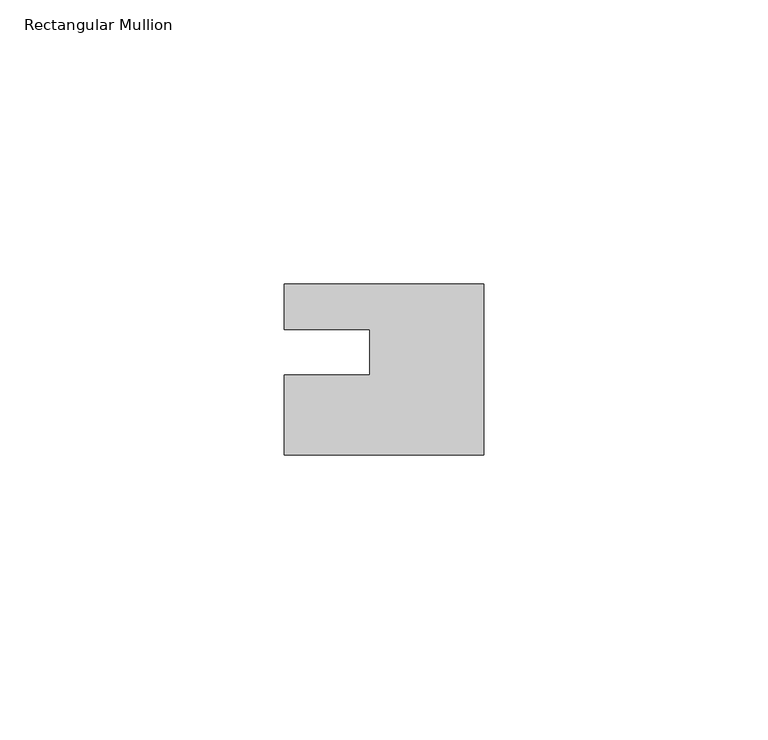
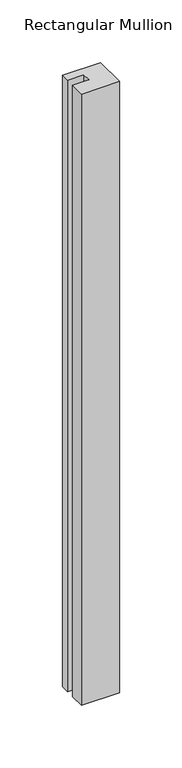
"""IFC4 building model written with IfcOpenShell, lengths in millimetres: member geometry, Rectangular Mullion."""

import ifcopenshell
import ifcopenshell.guid

model = None  # the IFC model being written
_history = None  # IfcOwnerHistory: only IFC2X3 demands one
_inside = {}  # id of a spatial element -> (the spatial element, [elements in it])
_under = {}  # id of a project, library or spatial element -> (it, [spatial elements below it])
_declared = {}  # id of a project -> (the project, [libraries it declares])
_typed = {}  # id of a type object -> (the type object, [elements of that type])
_made_of = {}  # id of a material, layer set ... -> (it, [elements and type objects made of it])


def new_model(schema):
    """Start an empty IFC model of exactly this schema.

    Asked for "IFC4X3", IfcOpenShell would pick the latest addendum, in which some entities
    have other attributes; the version numbers below select the first issue.
    IFC2X3 requires an IfcOwnerHistory on every rooted entity: one is made here for all.
    """
    global model, _history
    if schema == "IFC4X3":
        model = ifcopenshell.file(schema_version=(4, 3, 0, 0))
    else:
        model = ifcopenshell.file(schema=schema)
    _inside.clear()
    _under.clear()
    _declared.clear()
    _typed.clear()
    _made_of.clear()
    _history = None
    if model.schema == "IFC2X3":
        org = make("IfcOrganization", Name="unknown")
        user = make(
            "IfcPersonAndOrganization",
            ThePerson=make("IfcPerson", FamilyName="unknown"),
            TheOrganization=org,
        )
        app = make(
            "IfcApplication",
            ApplicationDeveloper=org,
            Version="unknown",
            ApplicationFullName="unknown",
            ApplicationIdentifier="unknown",
        )
        _history = make(
            "IfcOwnerHistory",
            OwningUser=user,
            OwningApplication=app,
            ChangeAction="ADDED",
            CreationDate=0,
        )
    return model


def make(cls, **values):
    """One entity of the class cls with the attributes given. An attribute that is None is left unset."""
    return model.create_entity(
        cls, **{name: value for name, value in values.items() if value is not None}
    )


def rooted(cls, **values):
    """An entity with a GlobalId (a new one), such as an element, a storey or a relation."""
    return make(cls, GlobalId=ifcopenshell.guid.new(), OwnerHistory=_history, **values)


def si_unit(unit_type, name, prefix=None):
    """IfcSIUnit, for example si_unit("LENGTHUNIT", "METRE", prefix="MILLI")."""
    return make("IfcSIUnit", UnitType=unit_type, Prefix=prefix, Name=name)


def assignment(units):
    """IfcUnitAssignment: the units of a project."""
    return None if units is None else make("IfcUnitAssignment", Units=units)


def point(xyz):
    """IfcCartesianPoint."""
    return None if xyz is None else make("IfcCartesianPoint", Coordinates=xyz)


def direction(xyz):
    """IfcDirection."""
    return None if xyz is None else make("IfcDirection", DirectionRatios=xyz)


def frame(location, z_axis=None, x_axis=None):
    """IfcAxis2Placement3D, a coordinate frame: its origin and axes. An axis left out is left unset."""
    return make(
        "IfcAxis2Placement3D",
        Location=point(location),
        Axis=direction(z_axis),
        RefDirection=direction(x_axis),
    )


def origin():
    """The frame at (0, 0, 0) with its axes left unset."""
    return frame((0.0, 0.0, 0.0))


def place(relative_to, where):
    """IfcLocalPlacement: puts the frame where relative to a parent placement (None: the world)."""
    return make(
        "IfcLocalPlacement", PlacementRelTo=relative_to, RelativePlacement=where
    )


def context(
    kind, dimensions, precision=None, world=None, true_north=None, identifier=None
):
    """IfcGeometricRepresentationContext, for example the 3D "Model" context."""
    return make(
        "IfcGeometricRepresentationContext",
        ContextIdentifier=identifier,
        ContextType=kind,
        CoordinateSpaceDimension=dimensions,
        Precision=precision,
        WorldCoordinateSystem=world,
        TrueNorth=true_north,
    )


def project(units=None, contexts=None):
    """IfcProject with its units and contexts."""
    return rooted(
        "IfcProject",
        Name="project",
        RepresentationContexts=contexts,
        UnitsInContext=assignment(units),
    )


def spatial(cls, under=None, at=None, **own):
    """A site, building, storey or space (cls), placed at a placement, below another one or the project."""
    s = rooted(cls, ObjectPlacement=at, **own)
    if under is not None:
        _under.setdefault(under.id(), (under, []))[1].append(s)
    return s


def polyline(points):
    """IfcPolyline through the points."""
    return make("IfcPolyline", Points=[point(p) for p in points])


def outline(outer, holes=None, kind="AREA"):
    """IfcArbitraryClosedProfileDef: a profile drawn as a closed curve; with holes, ...WithVoids."""
    if holes is None:
        return make("IfcArbitraryClosedProfileDef", ProfileType=kind, OuterCurve=outer)
    return make(
        "IfcArbitraryProfileDefWithVoids",
        ProfileType=kind,
        OuterCurve=outer,
        InnerCurves=holes,
    )


def extrude(swept, where, along, depth):
    """IfcExtrudedAreaSolid: the profile swept, set in the frame where, extruded along a direction by depth."""
    return make(
        "IfcExtrudedAreaSolid",
        SweptArea=swept,
        Position=where,
        ExtrudedDirection=direction(along),
        Depth=depth,
    )


def shape(context_of_items, identifier, shape_type, items):
    """IfcShapeRepresentation: the items that make up one representation, for example the "Body"."""
    return make(
        "IfcShapeRepresentation",
        ContextOfItems=context_of_items,
        RepresentationIdentifier=identifier,
        RepresentationType=shape_type,
        Items=items,
    )


def source(mapping_origin, context_of_items, identifier, shape_type, items):
    """IfcRepresentationMap: a shape defined once, which mapped items show again and again."""
    return make(
        "IfcRepresentationMap",
        MappingOrigin=mapping_origin,
        MappedRepresentation=shape(context_of_items, identifier, shape_type, items),
    )


def transform(
    local_origin,
    x_axis=None,
    y_axis=None,
    z_axis=None,
    scale=None,
    scale2=None,
    scale3=None,
    uniform=True,
):
    """IfcCartesianTransformationOperator3D, or its non-uniform kind. x_axis, y_axis, z_axis: its Axis1, 2, 3."""
    if uniform:
        return make(
            "IfcCartesianTransformationOperator3D",
            Axis1=direction(x_axis),
            Axis2=direction(y_axis),
            LocalOrigin=point(local_origin),
            Scale=scale,
            Axis3=direction(z_axis),
        )
    return make(
        "IfcCartesianTransformationOperator3DnonUniform",
        Axis1=direction(x_axis),
        Axis2=direction(y_axis),
        LocalOrigin=point(local_origin),
        Scale=scale,
        Axis3=direction(z_axis),
        Scale2=scale2,
        Scale3=scale3,
    )


def mapped(mapping_source, mapping_target):
    """IfcMappedItem: shows the shape of a source again, moved by a transform."""
    return make(
        "IfcMappedItem", MappingSource=mapping_source, MappingTarget=mapping_target
    )


def made_of(thing, what):
    """Note that an element or type object is made of a material, layer set ...; save() writes the relation."""
    if what is not None:
        _made_of.setdefault(what.id(), (what, []))[1].append(thing)
    return thing


def element(
    cls,
    number,
    at=None,
    inside=None,
    cuts=None,
    type_object=None,
    material=None,
    context=None,
    identifier="Body",
    shape_type=None,
    held_by="IfcProductDefinitionShape",
    body=None,
    shapes=None,
    **own,
):
    """One element of the class cls, such as IfcWall. Its Tag is "e" and its number.

    at: its placement. inside: the storey or other place that contains it. cuts: it is an
    opening in that element (IfcRelVoidsElement). A single representation is given by context,
    identifier, shape_type and body (its items); several are given by shapes. held_by: the class
    of the entity that holds the representations. save() writes the other relations.
    """
    e = rooted(cls, Tag="e%d" % number, ObjectPlacement=at, **own)
    if body is not None:
        shapes = [shape(context, identifier, shape_type, body)]
    if shapes is not None:
        e.Representation = make(held_by, Representations=shapes)
    if inside is not None:
        _inside.setdefault(inside.id(), (inside, []))[1].append(e)
    if cuts is not None:
        rooted(
            "IfcRelVoidsElement", RelatingBuildingElement=cuts, RelatedOpeningElement=e
        )
    if type_object is not None:
        _typed.setdefault(type_object.id(), (type_object, []))[1].append(e)
    return made_of(e, material)


def aggregate(whole, parts):
    """IfcRelAggregates: a whole, such as a stair, and the parts it consists of."""
    return rooted("IfcRelAggregates", RelatingObject=whole, RelatedObjects=parts)


def save(model, path):
    """Write the relations noted so far, then the file.

    IfcRelAggregates (storeys below a building ...), IfcRelContainedInSpatialStructure (elements
    in a storey), IfcRelDefinesByType, IfcRelAssociatesMaterial and IfcRelDeclares: one each for
    every whole, place, type object, material and project.
    """
    for whole, parts in _under.values():
        aggregate(whole, parts)
    for where, things in _inside.values():
        rooted(
            "IfcRelContainedInSpatialStructure",
            RelatedElements=things,
            RelatingStructure=where,
        )
    for kind, things in _typed.values():
        rooted("IfcRelDefinesByType", RelatedObjects=things, RelatingType=kind)
    for what, things in _made_of.values():
        rooted("IfcRelAssociatesMaterial", RelatedObjects=things, RelatingMaterial=what)
    for by, libraries in _declared.values():
        rooted("IfcRelDeclares", RelatingContext=by, RelatedDefinitions=libraries)
    model.write(path)


def rectangular_mullion_8ebf7552(model_context):
    return source(origin(), model_context, "Body", "SweptSolid", [
        extrude(outline(polyline([(0.0, 7.94), (0.0, -22.06), (-35.0, -22.06), (-35.0, -8.0), (-20.0, -8.0), (-20.0, 0.001), (-35.0, 0.001), (-35.0, 7.94), (0.0, 7.94)])), frame((0.0, 0.0, -594.8963605), z_axis=(0.0, 0.0, 1.0), x_axis=(1.0, 0.0, 0.0)), (0.0, 0.0, 1.0), 594.8963605),
    ])


if __name__ == "__main__":
    model = new_model("IFC4")
    model_context = context("Model", 3, world=origin())
    ifc_project = project(units=[si_unit("LENGTHUNIT", "METRE", prefix="MILLI")], contexts=[model_context])
    site = spatial("IfcSite", under=ifc_project)
    building = spatial("IfcBuilding", under=site)
    placement = place(None, origin())
    rectangular_mullion_shape = rectangular_mullion_8ebf7552(model_context)
    element("IfcMember", 1, ObjectType="Rectangular Mullion", at=placement, inside=building, context=model_context, shape_type="MappedRepresentation", body=[
        mapped(rectangular_mullion_shape, transform((0.0, 0.0, 0.0), x_axis=(1.0, 0.0, 0.0), y_axis=(0.0, 1.0, 0.0), z_axis=(0.0, 0.0, 1.0))),
    ])
    save(model, "model.ifc")
